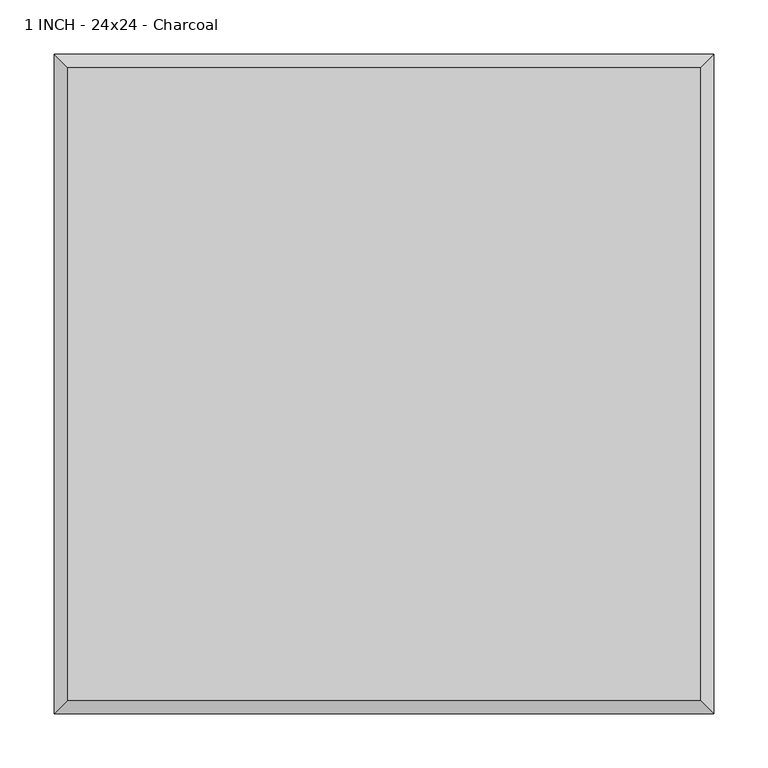
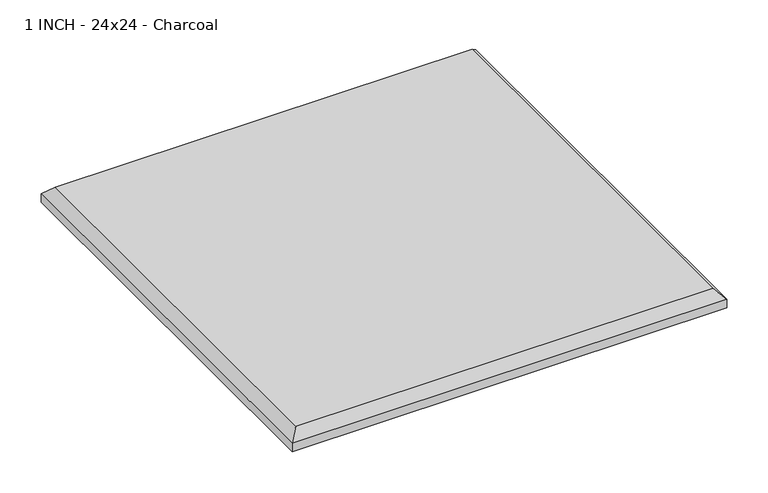
"""IFC4 building model written with IfcOpenShell, lengths in millimetres: proxy geometry, 1 INCH - 24x24 - Charcoal."""

import ifcopenshell
import ifcopenshell.guid

model = None  # the IFC model being written
_history = None  # IfcOwnerHistory: only IFC2X3 demands one
_inside = {}  # id of a spatial element -> (the spatial element, [elements in it])
_under = {}  # id of a project, library or spatial element -> (it, [spatial elements below it])
_declared = {}  # id of a project -> (the project, [libraries it declares])
_typed = {}  # id of a type object -> (the type object, [elements of that type])
_made_of = {}  # id of a material, layer set ... -> (it, [elements and type objects made of it])


def new_model(schema):
    """Start an empty IFC model of exactly this schema.

    Asked for "IFC4X3", IfcOpenShell would pick the latest addendum, in which some entities
    have other attributes; the version numbers below select the first issue.
    IFC2X3 requires an IfcOwnerHistory on every rooted entity: one is made here for all.
    """
    global model, _history
    if schema == "IFC4X3":
        model = ifcopenshell.file(schema_version=(4, 3, 0, 0))
    else:
        model = ifcopenshell.file(schema=schema)
    _inside.clear()
    _under.clear()
    _declared.clear()
    _typed.clear()
    _made_of.clear()
    _history = None
    if model.schema == "IFC2X3":
        org = make("IfcOrganization", Name="unknown")
        user = make(
            "IfcPersonAndOrganization",
            ThePerson=make("IfcPerson", FamilyName="unknown"),
            TheOrganization=org,
        )
        app = make(
            "IfcApplication",
            ApplicationDeveloper=org,
            Version="unknown",
            ApplicationFullName="unknown",
            ApplicationIdentifier="unknown",
        )
        _history = make(
            "IfcOwnerHistory",
            OwningUser=user,
            OwningApplication=app,
            ChangeAction="ADDED",
            CreationDate=0,
        )
    return model


def make(cls, **values):
    """One entity of the class cls with the attributes given. An attribute that is None is left unset."""
    return model.create_entity(
        cls, **{name: value for name, value in values.items() if value is not None}
    )


def rooted(cls, **values):
    """An entity with a GlobalId (a new one), such as an element, a storey or a relation."""
    return make(cls, GlobalId=ifcopenshell.guid.new(), OwnerHistory=_history, **values)


def si_unit(unit_type, name, prefix=None):
    """IfcSIUnit, for example si_unit("LENGTHUNIT", "METRE", prefix="MILLI")."""
    return make("IfcSIUnit", UnitType=unit_type, Prefix=prefix, Name=name)


def assignment(units):
    """IfcUnitAssignment: the units of a project."""
    return None if units is None else make("IfcUnitAssignment", Units=units)


def point(xyz):
    """IfcCartesianPoint."""
    return None if xyz is None else make("IfcCartesianPoint", Coordinates=xyz)


def direction(xyz):
    """IfcDirection."""
    return None if xyz is None else make("IfcDirection", DirectionRatios=xyz)


def frame(location, z_axis=None, x_axis=None):
    """IfcAxis2Placement3D, a coordinate frame: its origin and axes. An axis left out is left unset."""
    return make(
        "IfcAxis2Placement3D",
        Location=point(location),
        Axis=direction(z_axis),
        RefDirection=direction(x_axis),
    )


def origin():
    """The frame at (0, 0, 0) with its axes left unset."""
    return frame((0.0, 0.0, 0.0))


def place(relative_to, where):
    """IfcLocalPlacement: puts the frame where relative to a parent placement (None: the world)."""
    return make(
        "IfcLocalPlacement", PlacementRelTo=relative_to, RelativePlacement=where
    )


def context(
    kind, dimensions, precision=None, world=None, true_north=None, identifier=None
):
    """IfcGeometricRepresentationContext, for example the 3D "Model" context."""
    return make(
        "IfcGeometricRepresentationContext",
        ContextIdentifier=identifier,
        ContextType=kind,
        CoordinateSpaceDimension=dimensions,
        Precision=precision,
        WorldCoordinateSystem=world,
        TrueNorth=true_north,
    )


def project(units=None, contexts=None):
    """IfcProject with its units and contexts."""
    return rooted(
        "IfcProject",
        Name="project",
        RepresentationContexts=contexts,
        UnitsInContext=assignment(units),
    )


def spatial(cls, under=None, at=None, **own):
    """A site, building, storey or space (cls), placed at a placement, below another one or the project."""
    s = rooted(cls, ObjectPlacement=at, **own)
    if under is not None:
        _under.setdefault(under.id(), (under, []))[1].append(s)
    return s


def faces_of(points, faces, orient=None, outer=None):
    """IfcFace entities. A face is a list of loops; a loop is a list of indices into points, from 0.

    orient and outer hold one flag for each loop. By default every Orientation is true, the
    first loop of a face is its IfcFaceOuterBound and the others are IfcFaceBound.
    """
    made = []
    for i, loops in enumerate(faces):
        bounds = []
        for j, loop in enumerate(loops):
            is_outer = j == 0 if outer is None else outer[i][j]
            bounds.append(
                make(
                    "IfcFaceOuterBound" if is_outer else "IfcFaceBound",
                    Bound=make("IfcPolyLoop", Polygon=[points[k] for k in loop]),
                    Orientation=True if orient is None else orient[i][j],
                )
            )
        made.append(make("IfcFace", Bounds=bounds))
    return made


def faceted_brep(points, faces, orient=None, outer=None, voids=None):
    """IfcFacetedBrep: a solid bounded by flat faces; with voids (closed shells), ...WithVoids."""
    shared = [point(p) for p in points]
    hull = make("IfcClosedShell", CfsFaces=faces_of(shared, faces, orient, outer))
    if voids is None:
        return make("IfcFacetedBrep", Outer=hull)
    return make(
        "IfcFacetedBrepWithVoids",
        Outer=hull,
        Voids=[
            make(cls, CfsFaces=faces_of(shared, fs, o, b)) for cls, fs, o, b in voids
        ],
    )


def shape(context_of_items, identifier, shape_type, items):
    """IfcShapeRepresentation: the items that make up one representation, for example the "Body"."""
    return make(
        "IfcShapeRepresentation",
        ContextOfItems=context_of_items,
        RepresentationIdentifier=identifier,
        RepresentationType=shape_type,
        Items=items,
    )


def source(mapping_origin, context_of_items, identifier, shape_type, items):
    """IfcRepresentationMap: a shape defined once, which mapped items show again and again."""
    return make(
        "IfcRepresentationMap",
        MappingOrigin=mapping_origin,
        MappedRepresentation=shape(context_of_items, identifier, shape_type, items),
    )


def transform(
    local_origin,
    x_axis=None,
    y_axis=None,
    z_axis=None,
    scale=None,
    scale2=None,
    scale3=None,
    uniform=True,
):
    """IfcCartesianTransformationOperator3D, or its non-uniform kind. x_axis, y_axis, z_axis: its Axis1, 2, 3."""
    if uniform:
        return make(
            "IfcCartesianTransformationOperator3D",
            Axis1=direction(x_axis),
            Axis2=direction(y_axis),
            LocalOrigin=point(local_origin),
            Scale=scale,
            Axis3=direction(z_axis),
        )
    return make(
        "IfcCartesianTransformationOperator3DnonUniform",
        Axis1=direction(x_axis),
        Axis2=direction(y_axis),
        LocalOrigin=point(local_origin),
        Scale=scale,
        Axis3=direction(z_axis),
        Scale2=scale2,
        Scale3=scale3,
    )


def mapped(mapping_source, mapping_target):
    """IfcMappedItem: shows the shape of a source again, moved by a transform."""
    return make(
        "IfcMappedItem", MappingSource=mapping_source, MappingTarget=mapping_target
    )


def made_of(thing, what):
    """Note that an element or type object is made of a material, layer set ...; save() writes the relation."""
    if what is not None:
        _made_of.setdefault(what.id(), (what, []))[1].append(thing)
    return thing


def element(
    cls,
    number,
    at=None,
    inside=None,
    cuts=None,
    type_object=None,
    material=None,
    context=None,
    identifier="Body",
    shape_type=None,
    held_by="IfcProductDefinitionShape",
    body=None,
    shapes=None,
    **own,
):
    """One element of the class cls, such as IfcWall. Its Tag is "e" and its number.

    at: its placement. inside: the storey or other place that contains it. cuts: it is an
    opening in that element (IfcRelVoidsElement). A single representation is given by context,
    identifier, shape_type and body (its items); several are given by shapes. held_by: the class
    of the entity that holds the representations. save() writes the other relations.
    """
    e = rooted(cls, Tag="e%d" % number, ObjectPlacement=at, **own)
    if body is not None:
        shapes = [shape(context, identifier, shape_type, body)]
    if shapes is not None:
        e.Representation = make(held_by, Representations=shapes)
    if inside is not None:
        _inside.setdefault(inside.id(), (inside, []))[1].append(e)
    if cuts is not None:
        rooted(
            "IfcRelVoidsElement", RelatingBuildingElement=cuts, RelatedOpeningElement=e
        )
    if type_object is not None:
        _typed.setdefault(type_object.id(), (type_object, []))[1].append(e)
    return made_of(e, material)


def aggregate(whole, parts):
    """IfcRelAggregates: a whole, such as a stair, and the parts it consists of."""
    return rooted("IfcRelAggregates", RelatingObject=whole, RelatedObjects=parts)


def save(model, path):
    """Write the relations noted so far, then the file.

    IfcRelAggregates (storeys below a building ...), IfcRelContainedInSpatialStructure (elements
    in a storey), IfcRelDefinesByType, IfcRelAssociatesMaterial and IfcRelDeclares: one each for
    every whole, place, type object, material and project.
    """
    for whole, parts in _under.values():
        aggregate(whole, parts)
    for where, things in _inside.values():
        rooted(
            "IfcRelContainedInSpatialStructure",
            RelatedElements=things,
            RelatingStructure=where,
        )
    for kind, things in _typed.values():
        rooted("IfcRelDefinesByType", RelatedObjects=things, RelatingType=kind)
    for what, things in _made_of.values():
        rooted("IfcRelAssociatesMaterial", RelatedObjects=things, RelatingMaterial=what)
    for by, libraries in _declared.values():
        rooted("IfcRelDeclares", RelatingContext=by, RelatedDefinitions=libraries)
    model.write(path)


def proxy_1_inch_24x24_charcoal_010a429e(model_context):
    return source(origin(), model_context, "Body", "Brep", [
        faceted_brep([(292.1, 292.1, 25.4), (-292.1, 292.1, 25.4), (-292.1, -292.1, 25.4), (292.1, -292.1, 25.4), (-304.8, 304.8, 0.0), (304.8, 304.8, 0.0), (304.8, -304.8, 0.0), (-304.8, -304.8, 0.0), (-304.8, -304.8, 12.7), (-304.8, 304.8, 12.7), (304.8, -304.8, 12.7), (304.8, 304.8, 12.7)], [[[0, 1, 2, 3]], [[4, 5, 6, 7]], [[4, 7, 8, 9]], [[7, 6, 10, 8]], [[6, 5, 11, 10]], [[5, 4, 9, 11]], [[9, 1, 0, 11]], [[1, 9, 8, 2]], [[2, 8, 10, 3]], [[11, 0, 3, 10]]]),
    ])


if __name__ == "__main__":
    model = new_model("IFC4")
    model_context = context("Model", 3, world=origin())
    ifc_project = project(units=[si_unit("LENGTHUNIT", "METRE", prefix="MILLI")], contexts=[model_context])
    site = spatial("IfcSite", under=ifc_project)
    building = spatial("IfcBuilding", under=site)
    placement = place(None, origin())
    proxy_1_inch_24x24_charcoal_shape = proxy_1_inch_24x24_charcoal_010a429e(model_context)
    element("IfcBuildingElementProxy", 1, Name="1 INCH - 24x24 - Charcoal", ObjectType="1 INCH - 24x24 - Charcoal", at=placement, inside=building, context=model_context, shape_type="MappedRepresentation", body=[
        mapped(proxy_1_inch_24x24_charcoal_shape, transform((0.0, 0.0, 0.0), x_axis=(1.0, 0.0, 0.0), y_axis=(0.0, 1.0, 0.0), z_axis=(0.0, 0.0, 1.0))),
    ])
    save(model, "model.ifc")
